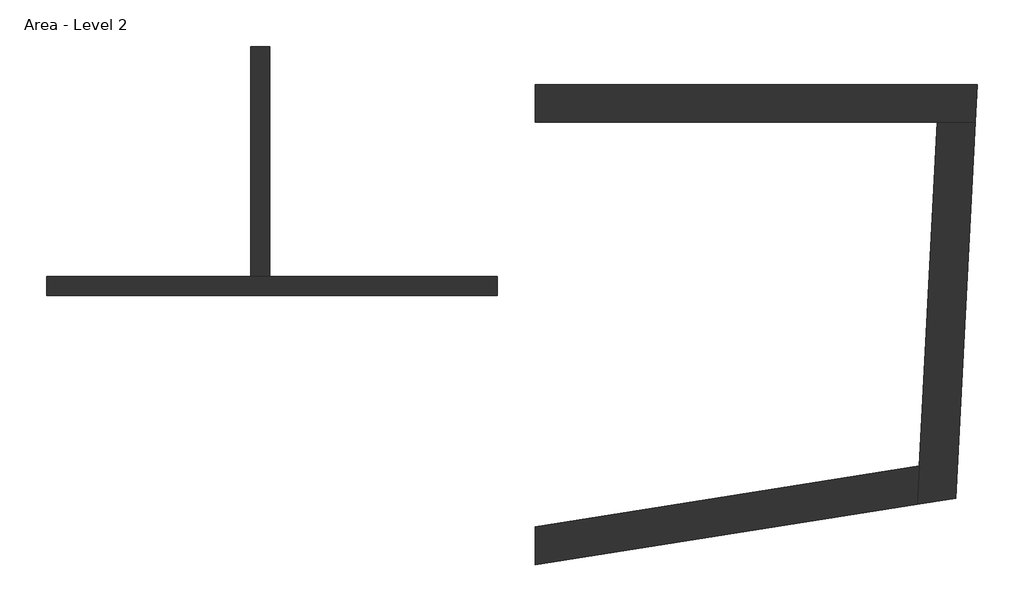
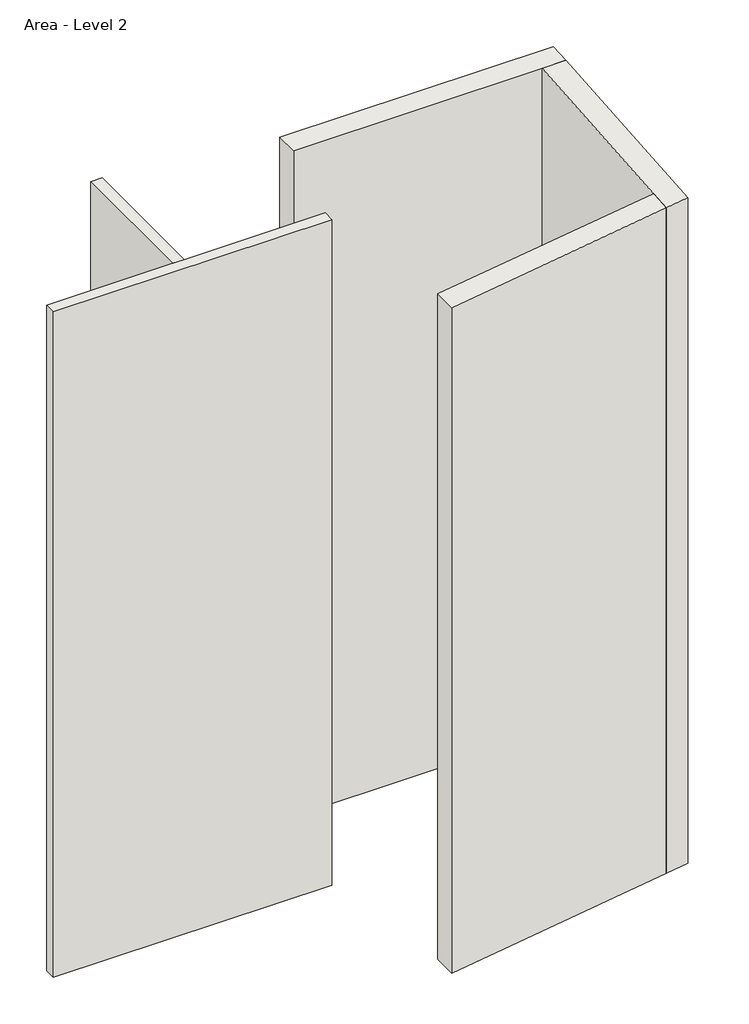
# One storey: 5 walls.
"""IFC4 building model written with IfcOpenShell, lengths in millimetres."""

import ifcopenshell
import ifcopenshell.guid

model = None  # the IFC model being written
_history = None  # IfcOwnerHistory: only IFC2X3 demands one
_inside = {}  # id of a spatial element -> (the spatial element, [elements in it])
_under = {}  # id of a project, library or spatial element -> (it, [spatial elements below it])
_declared = {}  # id of a project -> (the project, [libraries it declares])
_typed = {}  # id of a type object -> (the type object, [elements of that type])
_made_of = {}  # id of a material, layer set ... -> (it, [elements and type objects made of it])


def new_model(schema):
    """Start an empty IFC model of exactly this schema.

    Asked for "IFC4X3", IfcOpenShell would pick the latest addendum, in which some entities
    have other attributes; the version numbers below select the first issue.
    IFC2X3 requires an IfcOwnerHistory on every rooted entity: one is made here for all.
    """
    global model, _history
    if schema == "IFC4X3":
        model = ifcopenshell.file(schema_version=(4, 3, 0, 0))
    else:
        model = ifcopenshell.file(schema=schema)
    _inside.clear()
    _under.clear()
    _declared.clear()
    _typed.clear()
    _made_of.clear()
    _history = None
    if model.schema == "IFC2X3":
        org = make("IfcOrganization", Name="unknown")
        user = make(
            "IfcPersonAndOrganization",
            ThePerson=make("IfcPerson", FamilyName="unknown"),
            TheOrganization=org,
        )
        app = make(
            "IfcApplication",
            ApplicationDeveloper=org,
            Version="unknown",
            ApplicationFullName="unknown",
            ApplicationIdentifier="unknown",
        )
        _history = make(
            "IfcOwnerHistory",
            OwningUser=user,
            OwningApplication=app,
            ChangeAction="ADDED",
            CreationDate=0,
        )
    return model


def make(cls, **values):
    """One entity of the class cls with the attributes given. An attribute that is None is left unset."""
    return model.create_entity(
        cls, **{name: value for name, value in values.items() if value is not None}
    )


def rooted(cls, **values):
    """An entity with a GlobalId (a new one), such as an element, a storey or a relation."""
    return make(cls, GlobalId=ifcopenshell.guid.new(), OwnerHistory=_history, **values)


def si_unit(unit_type, name, prefix=None):
    """IfcSIUnit, for example si_unit("LENGTHUNIT", "METRE", prefix="MILLI")."""
    return make("IfcSIUnit", UnitType=unit_type, Prefix=prefix, Name=name)


def assignment(units):
    """IfcUnitAssignment: the units of a project."""
    return None if units is None else make("IfcUnitAssignment", Units=units)


def point(xyz):
    """IfcCartesianPoint."""
    return None if xyz is None else make("IfcCartesianPoint", Coordinates=xyz)


def direction(xyz):
    """IfcDirection."""
    return None if xyz is None else make("IfcDirection", DirectionRatios=xyz)


def frame(location, z_axis=None, x_axis=None):
    """IfcAxis2Placement3D, a coordinate frame: its origin and axes. An axis left out is left unset."""
    return make(
        "IfcAxis2Placement3D",
        Location=point(location),
        Axis=direction(z_axis),
        RefDirection=direction(x_axis),
    )


def origin():
    """The frame at (0, 0, 0) with its axes left unset."""
    return frame((0.0, 0.0, 0.0))


def place(relative_to, where):
    """IfcLocalPlacement: puts the frame where relative to a parent placement (None: the world)."""
    return make(
        "IfcLocalPlacement", PlacementRelTo=relative_to, RelativePlacement=where
    )


def context(
    kind, dimensions, precision=None, world=None, true_north=None, identifier=None
):
    """IfcGeometricRepresentationContext, for example the 3D "Model" context."""
    return make(
        "IfcGeometricRepresentationContext",
        ContextIdentifier=identifier,
        ContextType=kind,
        CoordinateSpaceDimension=dimensions,
        Precision=precision,
        WorldCoordinateSystem=world,
        TrueNorth=true_north,
    )


def project(units=None, contexts=None):
    """IfcProject with its units and contexts."""
    return rooted(
        "IfcProject",
        Name="project",
        RepresentationContexts=contexts,
        UnitsInContext=assignment(units),
    )


def spatial(cls, under=None, at=None, **own):
    """A site, building, storey or space (cls), placed at a placement, below another one or the project."""
    s = rooted(cls, ObjectPlacement=at, **own)
    if under is not None:
        _under.setdefault(under.id(), (under, []))[1].append(s)
    return s


def polyline(points):
    """IfcPolyline through the points."""
    return make("IfcPolyline", Points=[point(p) for p in points])


def outline(outer, holes=None, kind="AREA"):
    """IfcArbitraryClosedProfileDef: a profile drawn as a closed curve; with holes, ...WithVoids."""
    if holes is None:
        return make("IfcArbitraryClosedProfileDef", ProfileType=kind, OuterCurve=outer)
    return make(
        "IfcArbitraryProfileDefWithVoids",
        ProfileType=kind,
        OuterCurve=outer,
        InnerCurves=holes,
    )


def extrude(swept, where, along, depth):
    """IfcExtrudedAreaSolid: the profile swept, set in the frame where, extruded along a direction by depth."""
    return make(
        "IfcExtrudedAreaSolid",
        SweptArea=swept,
        Position=where,
        ExtrudedDirection=direction(along),
        Depth=depth,
    )


def faces_of(points, faces, orient=None, outer=None):
    """IfcFace entities. A face is a list of loops; a loop is a list of indices into points, from 0.

    orient and outer hold one flag for each loop. By default every Orientation is true, the
    first loop of a face is its IfcFaceOuterBound and the others are IfcFaceBound.
    """
    made = []
    for i, loops in enumerate(faces):
        bounds = []
        for j, loop in enumerate(loops):
            is_outer = j == 0 if outer is None else outer[i][j]
            bounds.append(
                make(
                    "IfcFaceOuterBound" if is_outer else "IfcFaceBound",
                    Bound=make("IfcPolyLoop", Polygon=[points[k] for k in loop]),
                    Orientation=True if orient is None else orient[i][j],
                )
            )
        made.append(make("IfcFace", Bounds=bounds))
    return made


def faceted_brep(points, faces, orient=None, outer=None, voids=None):
    """IfcFacetedBrep: a solid bounded by flat faces; with voids (closed shells), ...WithVoids."""
    shared = [point(p) for p in points]
    hull = make("IfcClosedShell", CfsFaces=faces_of(shared, faces, orient, outer))
    if voids is None:
        return make("IfcFacetedBrep", Outer=hull)
    return make(
        "IfcFacetedBrepWithVoids",
        Outer=hull,
        Voids=[
            make(cls, CfsFaces=faces_of(shared, fs, o, b)) for cls, fs, o, b in voids
        ],
    )


def shape(context_of_items, identifier, shape_type, items):
    """IfcShapeRepresentation: the items that make up one representation, for example the "Body"."""
    return make(
        "IfcShapeRepresentation",
        ContextOfItems=context_of_items,
        RepresentationIdentifier=identifier,
        RepresentationType=shape_type,
        Items=items,
    )


def made_of(thing, what):
    """Note that an element or type object is made of a material, layer set ...; save() writes the relation."""
    if what is not None:
        _made_of.setdefault(what.id(), (what, []))[1].append(thing)
    return thing


def element(
    cls,
    number,
    at=None,
    inside=None,
    cuts=None,
    type_object=None,
    material=None,
    context=None,
    identifier="Body",
    shape_type=None,
    held_by="IfcProductDefinitionShape",
    body=None,
    shapes=None,
    **own,
):
    """One element of the class cls, such as IfcWall. Its Tag is "e" and its number.

    at: its placement. inside: the storey or other place that contains it. cuts: it is an
    opening in that element (IfcRelVoidsElement). A single representation is given by context,
    identifier, shape_type and body (its items); several are given by shapes. held_by: the class
    of the entity that holds the representations. save() writes the other relations.
    """
    e = rooted(cls, Tag="e%d" % number, ObjectPlacement=at, **own)
    if body is not None:
        shapes = [shape(context, identifier, shape_type, body)]
    if shapes is not None:
        e.Representation = make(held_by, Representations=shapes)
    if inside is not None:
        _inside.setdefault(inside.id(), (inside, []))[1].append(e)
    if cuts is not None:
        rooted(
            "IfcRelVoidsElement", RelatingBuildingElement=cuts, RelatedOpeningElement=e
        )
    if type_object is not None:
        _typed.setdefault(type_object.id(), (type_object, []))[1].append(e)
    return made_of(e, material)


def aggregate(whole, parts):
    """IfcRelAggregates: a whole, such as a stair, and the parts it consists of."""
    return rooted("IfcRelAggregates", RelatingObject=whole, RelatedObjects=parts)


def save(model, path):
    """Write the relations noted so far, then the file.

    IfcRelAggregates (storeys below a building ...), IfcRelContainedInSpatialStructure (elements
    in a storey), IfcRelDefinesByType, IfcRelAssociatesMaterial and IfcRelDeclares: one each for
    every whole, place, type object, material and project.
    """
    for whole, parts in _under.values():
        aggregate(whole, parts)
    for where, things in _inside.values():
        rooted(
            "IfcRelContainedInSpatialStructure",
            RelatedElements=things,
            RelatingStructure=where,
        )
    for kind, things in _typed.values():
        rooted("IfcRelDefinesByType", RelatedObjects=things, RelatingType=kind)
    for what, things in _made_of.values():
        rooted("IfcRelAssociatesMaterial", RelatedObjects=things, RelatingMaterial=what)
    for by, libraries in _declared.values():
        rooted("IfcRelDeclares", RelatingContext=by, RelatedDefinitions=libraries)
    model.write(path)


model = new_model("IFC4")

# Units and contexts
model_context = context("Model", 3, world=origin())
ifc_project = project(units=[si_unit("LENGTHUNIT", "METRE", prefix="MILLI")], contexts=[model_context])

# Site, building, storey
site = spatial("IfcSite", under=ifc_project)
building = spatial("IfcBuilding", under=site)
storey = spatial("IfcBuildingStorey", under=building, Name="Area - Level 2", Elevation=3352.8)

# Walls
placement = place(None, origin())
element("IfcWall", 1, ObjectType="Wall 1", at=placement, inside=storey, context=model_context, shape_type="Brep", body=[
    faceted_brep([(4763.2824832, 3119.0589927, 3352.8), (6916.8184225, 3119.0589927, 3352.8), (7120.2972832, 3119.0589927, 3352.8), (7120.2972832, 3119.0589927, 9448.8), (6916.8184225, 3119.0589927, 9448.8), (4763.2824832, 3119.0589927, 9448.8), (4763.2824832, 3322.2589927, 3352.8), (4763.2824832, 3322.2589927, 9448.8), (7130.9465439, 3322.2589927, 9448.8), (7130.9465439, 3322.2589927, 3352.8)], [[[0, 1, 2, 3, 4, 5]], [[6, 7, 8, 9]], [[2, 1, 0, 6, 9]], [[5, 4, 3, 8, 7]], [[0, 5, 7, 6]], [[3, 2, 9, 8]]]),
])
element("IfcWall", 2, ObjectType="Wall 1", at=placement, inside=storey, context=model_context, shape_type="Brep", body=[
    faceted_brep([(6916.8184225, 3119.0589927, 3352.8), (6820.3809509, 1278.9224153, 3352.8), (6809.5086998, 1071.4675063, 3352.8), (6809.5086998, 1071.4675063, 9448.8), (6820.3809509, 1278.9224153, 9448.8), (6916.8184225, 3119.0589927, 9448.8), (7120.2972832, 3119.0589927, 3352.8), (7120.2972832, 3119.0589927, 9448.8), (7014.6906894, 1103.9651409, 9448.8), (7014.6906894, 1103.9651409, 3352.8)], [[[0, 1, 2, 3, 4, 5]], [[6, 7, 8, 9]], [[2, 1, 0, 6, 9]], [[5, 4, 3, 8, 7]], [[0, 5, 7, 6]], [[3, 2, 9, 8]]]),
])
element("IfcWall", 3, ObjectType="Wall 1", at=placement, inside=storey, context=model_context, shape_type="SweptSolid", body=[
    extrude(outline(polyline([(4763.2824832, 953.1100258), (6820.3809509, 1278.9224153), (6809.5086998, 1071.4675063), (4763.2824832, 747.3771122), (4763.2824832, 953.1100258)])), frame((0.0, 0.0, 3352.8), z_axis=(0.0, 0.0, 1.0), x_axis=(1.0, 0.0, 0.0)), (0.0, 0.0, 1.0), 6096.0),
])
element("IfcWall", 4, ObjectType="int", at=placement, inside=storey, context=model_context, shape_type="Brep", body=[
    faceted_brep([(2147.0824832, 2192.2241742, 3352.8), (4560.0824832, 2192.2241742, 3352.8), (4560.0824832, 2192.2241742, 9448.8), (2147.0824832, 2192.2241742, 9448.8), (2147.0824832, 2293.8241742, 3352.8), (2147.0824832, 2293.8241742, 9448.8), (3239.2824832, 2293.8241742, 9448.8), (3340.8824832, 2293.8241742, 9448.8), (4560.0824832, 2293.8241742, 9448.8), (4560.0824832, 2293.8241742, 3352.8), (3340.8824832, 2293.8241742, 3352.8), (3239.2824832, 2293.8241742, 3352.8)], [[[0, 1, 2, 3]], [[4, 5, 6, 7, 8, 9, 10, 11]], [[1, 0, 4, 11, 10, 9]], [[3, 2, 8, 7, 6, 5]], [[0, 3, 5, 4]], [[2, 1, 9, 8]]]),
])
element("IfcWall", 5, ObjectType="int", at=placement, inside=storey, context=model_context, shape_type="SweptSolid", body=[
    extrude(outline(polyline([(3340.8824832, 3525.4589927), (3340.8824832, 2293.8241742), (3239.2824832, 2293.8241742), (3239.2824832, 3525.4589927), (3340.8824832, 3525.4589927)])), frame((0.0, 0.0, 3352.8), z_axis=(0.0, 0.0, 1.0), x_axis=(1.0, 0.0, 0.0)), (0.0, 0.0, 1.0), 6096.0),
])

save(model, "model.ifc")
